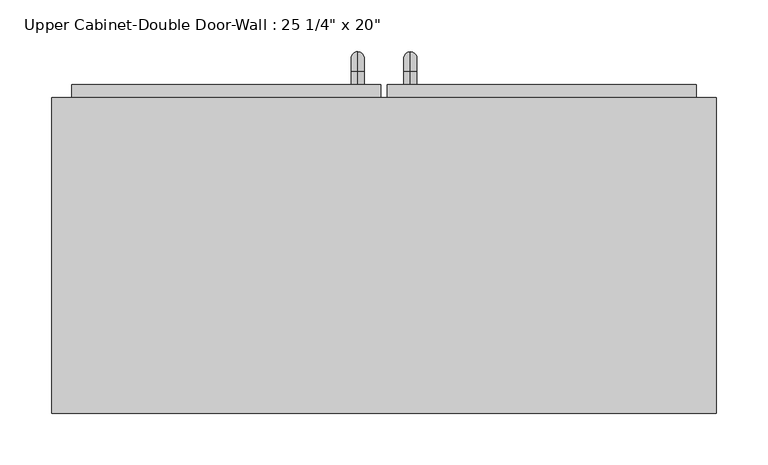
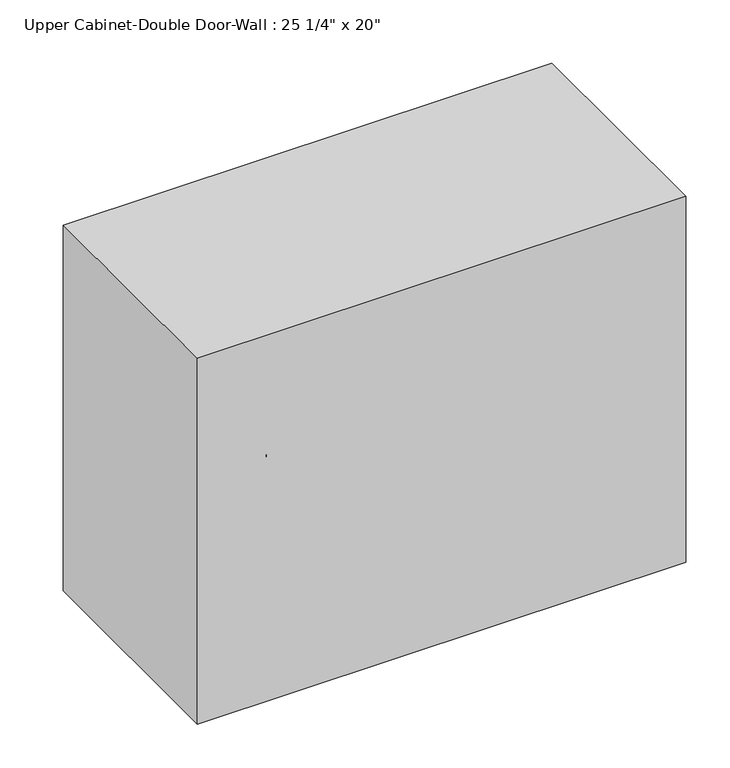
"""IFC4 building model written with IfcOpenShell, lengths in millimetres: furniture geometry."""

from ifc_helpers import new_model, si_unit, point, frame, origin, place, context, project, spatial, polyline, circle_curve, ellipse_curve, trimmed, outline, extrude, faceted_brep, source, transform, mapped, element, save
from ifc_brep_helpers import plane_surface, cylinder_surface, revolved_surface, advanced_brep


def furniture_635ca1c5(model_context):
    return source(origin(), model_context, "Body", "SolidModel", [
        faceted_brep([(-290.9038372, 53.975, 2133.6), (-290.9038372, 53.975, 1625.6), (350.4461628, 53.975, 1625.6), (350.4461628, 53.975, 2133.6), (-290.9038372, 358.775, 2133.6), (350.4461628, 358.775, 2133.6), (350.4461628, 358.775, 1625.6), (-290.9038372, 358.775, 1625.6), (-271.8538372, 358.775, 2114.55), (-271.8538372, 358.775, 1644.65), (331.3961628, 358.775, 1644.65), (331.3961628, 358.775, 2114.55), (331.3961628, 73.025, 2114.55), (-271.8538372, 73.025, 2114.55), (331.3961628, 73.025, 1644.65), (-271.8538372, 73.025, 1644.65)], [[[0, 1, 2, 3]], [[4, 5, 6, 7], [8, 9, 10, 11]], [[1, 0, 4, 7]], [[2, 1, 7, 6]], [[3, 2, 6, 5]], [[0, 3, 5, 4]], [[8, 11, 12, 13]], [[11, 10, 14, 12]], [[10, 9, 15, 14]], [[9, 8, 13, 15]], [[13, 12, 14, 15]]]),
        advanced_brep(
        [(55.1711628, 371.475, 1771.65), (55.1711628, 371.475, 1784.35), (55.1711628, 384.175, 1771.65), (55.1711628, 384.175, 1784.35), (55.1711628, 403.225, 1765.3), (55.1711628, 390.525, 1765.3), (55.1711628, 390.525, 1689.1), (55.1711628, 403.225, 1689.1), (55.1711628, 384.175, 1670.05), (55.1711628, 384.175, 1682.75), (55.1711628, 371.475, 1682.75), (55.1711628, 371.475, 1670.05)],
        [
            (0, 1, circle_curve(frame((55.1711628, 371.475, 1778.0), z_axis=(0.0, -1.0, 0.0), x_axis=(0.0, 0.0, -1.0)), 6.35)),
            (1, 0, circle_curve(frame((55.1711628, 371.475, 1778.0), z_axis=(0.0, -1.0, 0.0), x_axis=(0.0, 0.0, -1.0)), 6.35)),
            (0, 2),
            (2, 3, circle_curve(frame((55.1711628, 384.175, 1778.0), z_axis=(0.0, -1.0, 0.0), x_axis=(0.0, 0.0, -1.0)), 6.35)),
            (3, 1),
            (3, 2, circle_curve(frame((55.1711628, 384.175, 1778.0), z_axis=(0.0, -1.0, 0.0), x_axis=(0.0, 0.0, -1.0)), 6.35)),
            (4, 3, circle_curve(frame((55.1711628, 384.175, 1765.3), z_axis=(1.0, 0.0, 0.0), x_axis=(0.0, 0.0, 1.0)), 19.05)),
            (2, 5, circle_curve(frame((55.1711628, 384.175, 1765.3), z_axis=(-1.0, 0.0, 0.0), x_axis=(0.0, 0.0, 1.0)), 6.35)),
            (5, 4, circle_curve(frame((55.1711628, 396.875, 1765.3), z_axis=(0.0, 0.0, 1.0), x_axis=(0.0, -1.0, 0.0)), 6.35)),
            (4, 5, circle_curve(frame((55.1711628, 396.875, 1765.3), z_axis=(0.0, 0.0, 1.0), x_axis=(0.0, -1.0, 0.0)), 6.35)),
            (5, 6),
            (6, 7, circle_curve(frame((55.1711628, 396.875, 1689.1), z_axis=(0.0, 0.0, 1.0), x_axis=(0.0, -1.0, 0.0)), 6.35)),
            (7, 4),
            (7, 6, circle_curve(frame((55.1711628, 396.875, 1689.1), z_axis=(0.0, 0.0, 1.0), x_axis=(0.0, -1.0, 0.0)), 6.35)),
            (8, 7, circle_curve(frame((55.1711628, 384.175, 1689.1), z_axis=(1.0, 0.0, 0.0), x_axis=(0.0, 1.0, 0.0)), 19.05)),
            (6, 9, circle_curve(frame((55.1711628, 384.175, 1689.1), z_axis=(-1.0, 0.0, 0.0), x_axis=(0.0, 1.0, 0.0)), 6.35)),
            (9, 8, circle_curve(frame((55.1711628, 384.175, 1676.4), z_axis=(0.0, 1.0, 0.0), x_axis=(0.0, 0.0, 1.0)), 6.35)),
            (8, 9, circle_curve(frame((55.1711628, 384.175, 1676.4), z_axis=(0.0, 1.0, 0.0), x_axis=(0.0, 0.0, 1.0)), 6.35)),
            (10, 11, circle_curve(frame((55.1711628, 371.475, 1676.4), z_axis=(0.0, -1.0, 0.0), x_axis=(0.0, 0.0, 1.0)), 6.35)),
            (11, 10, circle_curve(frame((55.1711628, 371.475, 1676.4), z_axis=(0.0, -1.0, 0.0), x_axis=(0.0, 0.0, 1.0)), 6.35)),
            (9, 10),
            (11, 8),
        ],
        [
            plane_surface(frame((48.8211628, 371.475, 1778.0), z_axis=(0.0, -1.0, 0.0), x_axis=(0.0, 0.0, 1.0))),
            cylinder_surface(frame((55.1711628, 371.475, 1778.0), z_axis=(0.0, -1.0, 0.0), x_axis=(0.0, 0.0, -1.0)), 6.35),
            revolved_surface(trimmed(ellipse_curve(frame((55.1711628, 384.175, 1778.0), z_axis=(0.0, -1.0, 0.0), x_axis=(0.0, 0.0, -1.0)), 6.35, 6.35), [point((55.1711628, 384.175, 1771.65))], [point((55.1711628, 384.175, 1784.35))], True, "CARTESIAN"), (55.1711628, 384.175, 1765.3), (-1.0, 0.0, 0.0)),
            revolved_surface(trimmed(ellipse_curve(frame((55.1711628, 384.175, 1778.0), z_axis=(0.0, -1.0, 0.0), x_axis=(0.0, 0.0, -1.0)), 6.35, 6.35), [point((55.1711628, 384.175, 1784.35))], [point((55.1711628, 384.175, 1771.65))], True, "CARTESIAN"), (55.1711628, 384.175, 1765.3), (-1.0, 0.0, 0.0)),
            cylinder_surface(frame((55.1711628, 396.875, 1765.3), z_axis=(0.0, 0.0, 1.0), x_axis=(0.0, -1.0, 0.0)), 6.35),
            revolved_surface(trimmed(ellipse_curve(frame((55.1711628, 396.875, 1689.1), z_axis=(0.0, 0.0, 1.0), x_axis=(0.0, -1.0, 0.0)), 6.35, 6.35), [point((55.1711628, 390.525, 1689.1))], [point((55.1711628, 403.225, 1689.1))], True, "CARTESIAN"), (55.1711628, 384.175, 1689.1), (-1.0, 0.0, 0.0)),
            revolved_surface(trimmed(ellipse_curve(frame((55.1711628, 396.875, 1689.1), z_axis=(0.0, 0.0, 1.0), x_axis=(0.0, -1.0, 0.0)), 6.35, 6.35), [point((55.1711628, 403.225, 1689.1))], [point((55.1711628, 390.525, 1689.1))], True, "CARTESIAN"), (55.1711628, 384.175, 1689.1), (-1.0, 0.0, 0.0)),
            plane_surface(frame((48.8211628, 371.475, 1676.4), z_axis=(0.0, -1.0, 0.0), x_axis=(0.0, 0.0, -1.0))),
            cylinder_surface(frame((55.1711628, 384.175, 1676.4), z_axis=(0.0, 1.0, 0.0), x_axis=(0.0, 0.0, 1.0)), 6.35),
        ],
        [
            (0, [[1, 2]]),
            (1, [[-1, 3, 4, 5]]),
            (1, [[-2, -5, 6, -3]]),
            (2, [[7, -4, 8, 9]]),
            (3, [[-8, -6, -7, 10]]),
            (4, [[-9, 11, 12, 13]]),
            (4, [[-10, -13, 14, -11]]),
            (5, [[15, -12, 16, 17]]),
            (6, [[-16, -14, -15, 18]]),
            (7, [[19, 20]]),
            (8, [[-17, 21, -20, 22]]),
            (8, [[-18, -22, -19, -21]]),
        ],
    ),
        advanced_brep(
        [(4.3711628, 371.475, 1771.65), (4.3711628, 371.475, 1784.35), (4.3711628, 384.175, 1771.65), (4.3711628, 384.175, 1784.35), (4.3711628, 403.225, 1765.3), (4.3711628, 390.525, 1765.3), (4.3711628, 390.525, 1689.1), (4.3711628, 403.225, 1689.1), (4.3711628, 384.175, 1670.05), (4.3711628, 384.175, 1682.75), (4.3711628, 371.475, 1682.75), (4.3711628, 371.475, 1670.05)],
        [
            (0, 1, circle_curve(frame((4.3711628, 371.475, 1778.0), z_axis=(0.0, -1.0, 0.0), x_axis=(0.0, 0.0, 1.0)), 6.35)),
            (1, 0, circle_curve(frame((4.3711628, 371.475, 1778.0), z_axis=(0.0, -1.0, 0.0), x_axis=(0.0, 0.0, 1.0)), 6.35)),
            (0, 2),
            (2, 3, circle_curve(frame((4.3711628, 384.175, 1778.0), z_axis=(0.0, -1.0, 0.0), x_axis=(0.0, 0.0, 1.0)), 6.35)),
            (3, 1),
            (3, 2, circle_curve(frame((4.3711628, 384.175, 1778.0), z_axis=(0.0, -1.0, 0.0), x_axis=(0.0, 0.0, 1.0)), 6.35)),
            (4, 3, circle_curve(frame((4.3711628, 384.175, 1765.3), z_axis=(1.0, 0.0, 0.0), x_axis=(0.0, 0.0, 1.0)), 19.05)),
            (2, 5, circle_curve(frame((4.3711628, 384.175, 1765.3), z_axis=(-1.0, 0.0, 0.0), x_axis=(0.0, 0.0, 1.0)), 6.35)),
            (5, 4, circle_curve(frame((4.3711628, 396.875, 1765.3), z_axis=(0.0, 0.0, 1.0), x_axis=(0.0, 1.0, 0.0)), 6.35)),
            (4, 5, circle_curve(frame((4.3711628, 396.875, 1765.3), z_axis=(0.0, 0.0, 1.0), x_axis=(0.0, 1.0, 0.0)), 6.35)),
            (5, 6),
            (6, 7, circle_curve(frame((4.3711628, 396.875, 1689.1), z_axis=(0.0, 0.0, 1.0), x_axis=(0.0, 1.0, 0.0)), 6.35)),
            (7, 4),
            (7, 6, circle_curve(frame((4.3711628, 396.875, 1689.1), z_axis=(0.0, 0.0, 1.0), x_axis=(0.0, 1.0, 0.0)), 6.35)),
            (8, 7, circle_curve(frame((4.3711628, 384.175, 1689.1), z_axis=(1.0, 0.0, 0.0), x_axis=(0.0, 1.0, 0.0)), 19.05)),
            (6, 9, circle_curve(frame((4.3711628, 384.175, 1689.1), z_axis=(-1.0, 0.0, 0.0), x_axis=(0.0, 1.0, 0.0)), 6.35)),
            (9, 8, circle_curve(frame((4.3711628, 384.175, 1676.4), z_axis=(0.0, 1.0, 0.0), x_axis=(0.0, 0.0, -1.0)), 6.35)),
            (8, 9, circle_curve(frame((4.3711628, 384.175, 1676.4), z_axis=(0.0, 1.0, 0.0), x_axis=(0.0, 0.0, -1.0)), 6.35)),
            (10, 11, circle_curve(frame((4.3711628, 371.475, 1676.4), z_axis=(0.0, -1.0, 0.0), x_axis=(0.0, 0.0, -1.0)), 6.35)),
            (11, 10, circle_curve(frame((4.3711628, 371.475, 1676.4), z_axis=(0.0, -1.0, 0.0), x_axis=(0.0, 0.0, -1.0)), 6.35)),
            (9, 10),
            (11, 8),
        ],
        [
            plane_surface(frame((-1.9788372, 371.475, 1778.0), z_axis=(0.0, -1.0, 0.0), x_axis=(0.0, 0.0, 1.0))),
            cylinder_surface(frame((4.3711628, 371.475, 1778.0), z_axis=(0.0, -1.0, 0.0), x_axis=(0.0, 0.0, 1.0)), 6.35),
            revolved_surface(trimmed(ellipse_curve(frame((4.3711628, 384.175, 1778.0), z_axis=(0.0, -1.0, 0.0), x_axis=(0.0, 0.0, 1.0)), 6.35, 6.35), [point((4.3711628, 384.175, 1771.65))], [point((4.3711628, 384.175, 1784.35))], True, "CARTESIAN"), (4.3711628, 384.175, 1765.3), (-1.0, 0.0, 0.0)),
            revolved_surface(trimmed(ellipse_curve(frame((4.3711628, 384.175, 1778.0), z_axis=(0.0, -1.0, 0.0), x_axis=(0.0, 0.0, 1.0)), 6.35, 6.35), [point((4.3711628, 384.175, 1784.35))], [point((4.3711628, 384.175, 1771.65))], True, "CARTESIAN"), (4.3711628, 384.175, 1765.3), (-1.0, 0.0, 0.0)),
            cylinder_surface(frame((4.3711628, 396.875, 1765.3), z_axis=(0.0, 0.0, 1.0), x_axis=(0.0, 1.0, 0.0)), 6.35),
            revolved_surface(trimmed(ellipse_curve(frame((4.3711628, 396.875, 1689.1), z_axis=(0.0, 0.0, 1.0), x_axis=(0.0, 1.0, 0.0)), 6.35, 6.35), [point((4.3711628, 390.525, 1689.1))], [point((4.3711628, 403.225, 1689.1))], True, "CARTESIAN"), (4.3711628, 384.175, 1689.1), (-1.0, 0.0, 0.0)),
            revolved_surface(trimmed(ellipse_curve(frame((4.3711628, 396.875, 1689.1), z_axis=(0.0, 0.0, 1.0), x_axis=(0.0, 1.0, 0.0)), 6.35, 6.35), [point((4.3711628, 403.225, 1689.1))], [point((4.3711628, 390.525, 1689.1))], True, "CARTESIAN"), (4.3711628, 384.175, 1689.1), (-1.0, 0.0, 0.0)),
            plane_surface(frame((-1.9788372, 371.475, 1676.4), z_axis=(0.0, -1.0, 0.0), x_axis=(0.0, 0.0, -1.0))),
            cylinder_surface(frame((4.3711628, 384.175, 1676.4), z_axis=(0.0, 1.0, 0.0), x_axis=(0.0, 0.0, -1.0)), 6.35),
        ],
        [
            (0, [[1, 2]]),
            (1, [[-1, 3, 4, 5]]),
            (1, [[-2, -5, 6, -3]]),
            (2, [[7, -4, 8, 9]]),
            (3, [[-8, -6, -7, 10]]),
            (4, [[-9, 11, 12, 13]]),
            (4, [[-10, -13, 14, -11]]),
            (5, [[15, -12, 16, 17]]),
            (6, [[-16, -14, -15, 18]]),
            (7, [[19, 20]]),
            (8, [[-17, 21, -20, 22]]),
            (8, [[-18, -22, -19, -21]]),
        ],
    ),
        extrude(outline(polyline([(32.9461628, 371.475), (331.3961628, 371.475), (331.3961628, 339.725), (32.9461628, 339.725), (32.9461628, 371.475)])), frame((0.0, 0.0, 1644.65), z_axis=(0.0, 0.0, 1.0), x_axis=(1.0, 0.0, 0.0)), (0.0, 0.0, 1.0), 469.9),
        extrude(outline(polyline([(-271.8538372, 371.475), (26.5961628, 371.475), (26.5961628, 339.725), (-271.8538372, 339.725), (-271.8538372, 371.475)])), frame((0.0, 0.0, 1644.65), z_axis=(0.0, 0.0, 1.0), x_axis=(1.0, 0.0, 0.0)), (0.0, 0.0, 1.0), 469.9),
    ])


if __name__ == "__main__":
    model = new_model("IFC4")
    model_context = context("Model", 3, world=origin())
    ifc_project = project(units=[si_unit("LENGTHUNIT", "METRE", prefix="MILLI")], contexts=[model_context])
    site = spatial("IfcSite", under=ifc_project)
    building = spatial("IfcBuilding", under=site)
    placement = place(None, origin())
    furniture_shape = furniture_635ca1c5(model_context)
    element("IfcFurniture", 1, ObjectType="Upper Cabinet-Double Door-Wall : 25 1/4\" x 20\"", at=placement, inside=building, context=model_context, shape_type="MappedRepresentation", body=[
        mapped(furniture_shape, transform((0.0, 0.0, 0.0), x_axis=(1.0, 0.0, 0.0), y_axis=(0.0, 1.0, 0.0), z_axis=(0.0, 0.0, 1.0))),
    ])
    save(model, "model.ifc")
